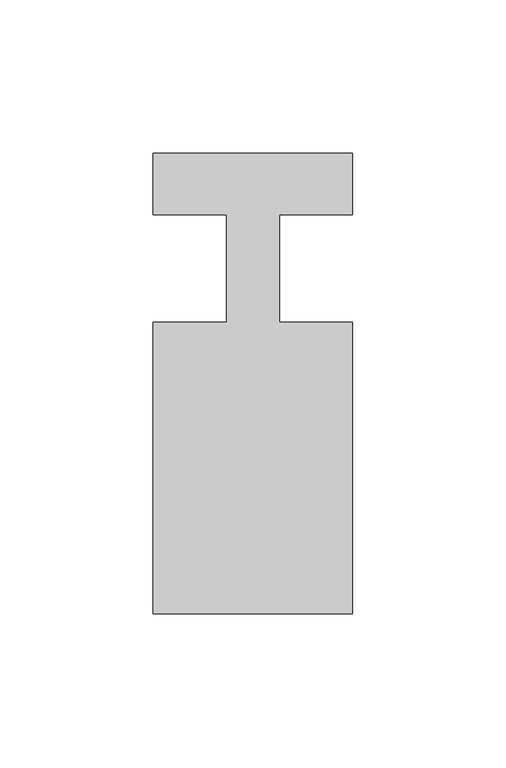
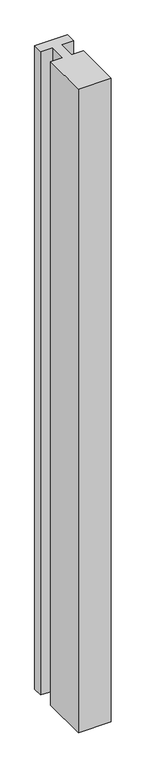
"""IFC4 building model written with IfcOpenShell, lengths in millimetres: member geometry."""

from ifc_helpers import new_model, si_unit, frame, origin, place, context, project, spatial, polyline, outline, extrude, source, transform, mapped, element, save


def member_82b4290d(model_context):
    return source(origin(), model_context, "Body", "SweptSolid", [
        extrude(outline(polyline([(-65.0, 37.0), (0.0, 37.0), (0.0, 17.0), (-23.8125, 17.0), (-23.8125, -18.0), (0.0, -18.0), (0.0, -113.0), (-65.0, -113.0), (-65.0, -18.0), (-41.1875, -18.0), (-41.1875, 17.0), (-65.0, 17.0), (-65.0, 37.0)])), frame((0.0, 0.0, -1350.0), z_axis=(0.0, 0.0, 1.0), x_axis=(1.0, 0.0, 0.0)), (0.0, 0.0, 1.0), 1350.0),
    ])


if __name__ == "__main__":
    model = new_model("IFC4")
    model_context = context("Model", 3, world=origin())
    ifc_project = project(units=[si_unit("LENGTHUNIT", "METRE", prefix="MILLI")], contexts=[model_context])
    site = spatial("IfcSite", under=ifc_project)
    building = spatial("IfcBuilding", under=site)
    placement = place(None, origin())
    member_shape = member_82b4290d(model_context)
    element("IfcMember", 1, at=placement, inside=building, context=model_context, shape_type="MappedRepresentation", body=[
        mapped(member_shape, transform((0.0, 0.0, 0.0), x_axis=(1.0, 0.0, 0.0), y_axis=(0.0, 1.0, 0.0), z_axis=(0.0, 0.0, 1.0))),
    ])
    save(model, "model.ifc")
